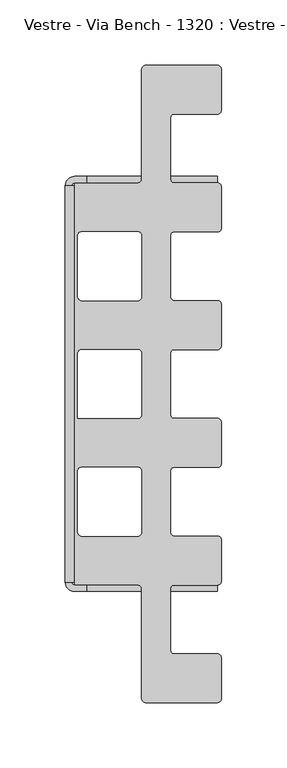
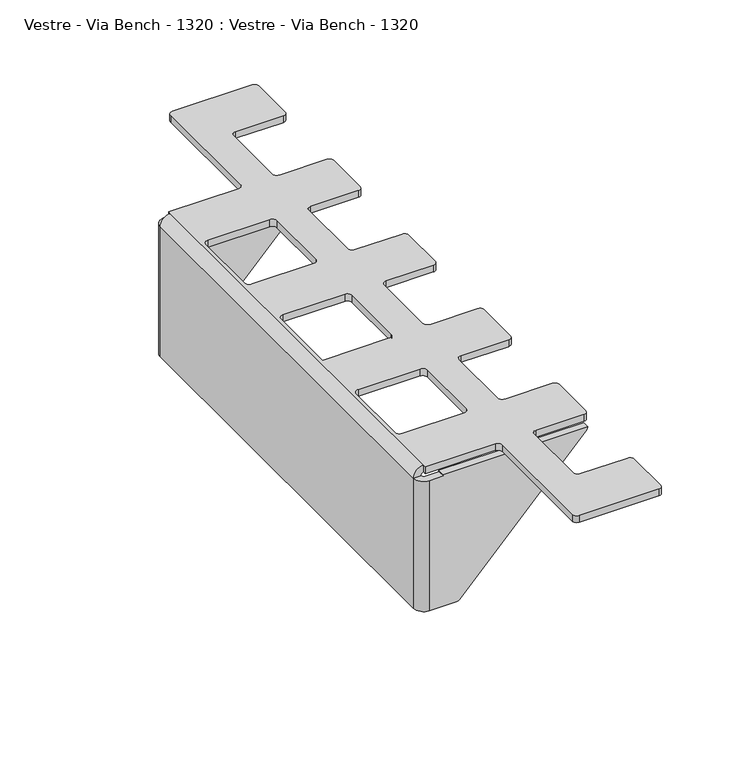
"""IFC4 building model written with IfcOpenShell, lengths in millimetres: furniture geometry, Vestre - Via Bench - 1320 : Vestre - Via Bench - 1320."""

import ifcopenshell
import ifcopenshell.guid

model = None  # the IFC model being written
_history = None  # IfcOwnerHistory: only IFC2X3 demands one
_inside = {}  # id of a spatial element -> (the spatial element, [elements in it])
_under = {}  # id of a project, library or spatial element -> (it, [spatial elements below it])
_declared = {}  # id of a project -> (the project, [libraries it declares])
_typed = {}  # id of a type object -> (the type object, [elements of that type])
_made_of = {}  # id of a material, layer set ... -> (it, [elements and type objects made of it])


def new_model(schema):
    """Start an empty IFC model of exactly this schema.

    Asked for "IFC4X3", IfcOpenShell would pick the latest addendum, in which some entities
    have other attributes; the version numbers below select the first issue.
    IFC2X3 requires an IfcOwnerHistory on every rooted entity: one is made here for all.
    """
    global model, _history
    if schema == "IFC4X3":
        model = ifcopenshell.file(schema_version=(4, 3, 0, 0))
    else:
        model = ifcopenshell.file(schema=schema)
    _inside.clear()
    _under.clear()
    _declared.clear()
    _typed.clear()
    _made_of.clear()
    _history = None
    if model.schema == "IFC2X3":
        org = make("IfcOrganization", Name="unknown")
        user = make(
            "IfcPersonAndOrganization",
            ThePerson=make("IfcPerson", FamilyName="unknown"),
            TheOrganization=org,
        )
        app = make(
            "IfcApplication",
            ApplicationDeveloper=org,
            Version="unknown",
            ApplicationFullName="unknown",
            ApplicationIdentifier="unknown",
        )
        _history = make(
            "IfcOwnerHistory",
            OwningUser=user,
            OwningApplication=app,
            ChangeAction="ADDED",
            CreationDate=0,
        )
    return model


def make(cls, **values):
    """One entity of the class cls with the attributes given. An attribute that is None is left unset."""
    return model.create_entity(
        cls, **{name: value for name, value in values.items() if value is not None}
    )


def rooted(cls, **values):
    """An entity with a GlobalId (a new one), such as an element, a storey or a relation."""
    return make(cls, GlobalId=ifcopenshell.guid.new(), OwnerHistory=_history, **values)


def si_unit(unit_type, name, prefix=None):
    """IfcSIUnit, for example si_unit("LENGTHUNIT", "METRE", prefix="MILLI")."""
    return make("IfcSIUnit", UnitType=unit_type, Prefix=prefix, Name=name)


def assignment(units):
    """IfcUnitAssignment: the units of a project."""
    return None if units is None else make("IfcUnitAssignment", Units=units)


def point(xyz):
    """IfcCartesianPoint."""
    return None if xyz is None else make("IfcCartesianPoint", Coordinates=xyz)


def direction(xyz):
    """IfcDirection."""
    return None if xyz is None else make("IfcDirection", DirectionRatios=xyz)


def frame(location, z_axis=None, x_axis=None):
    """IfcAxis2Placement3D, a coordinate frame: its origin and axes. An axis left out is left unset."""
    return make(
        "IfcAxis2Placement3D",
        Location=point(location),
        Axis=direction(z_axis),
        RefDirection=direction(x_axis),
    )


def origin():
    """The frame at (0, 0, 0) with its axes left unset."""
    return frame((0.0, 0.0, 0.0))


def place(relative_to, where):
    """IfcLocalPlacement: puts the frame where relative to a parent placement (None: the world)."""
    return make(
        "IfcLocalPlacement", PlacementRelTo=relative_to, RelativePlacement=where
    )


def context(
    kind, dimensions, precision=None, world=None, true_north=None, identifier=None
):
    """IfcGeometricRepresentationContext, for example the 3D "Model" context."""
    return make(
        "IfcGeometricRepresentationContext",
        ContextIdentifier=identifier,
        ContextType=kind,
        CoordinateSpaceDimension=dimensions,
        Precision=precision,
        WorldCoordinateSystem=world,
        TrueNorth=true_north,
    )


def project(units=None, contexts=None):
    """IfcProject with its units and contexts."""
    return rooted(
        "IfcProject",
        Name="project",
        RepresentationContexts=contexts,
        UnitsInContext=assignment(units),
    )


def spatial(cls, under=None, at=None, **own):
    """A site, building, storey or space (cls), placed at a placement, below another one or the project."""
    s = rooted(cls, ObjectPlacement=at, **own)
    if under is not None:
        _under.setdefault(under.id(), (under, []))[1].append(s)
    return s


def polyline(points):
    """IfcPolyline through the points."""
    return make("IfcPolyline", Points=[point(p) for p in points])


def circle_curve(where, radius):
    """IfcCircle in the frame where."""
    return make("IfcCircle", Position=where, Radius=radius)


def shape(context_of_items, identifier, shape_type, items):
    """IfcShapeRepresentation: the items that make up one representation, for example the "Body"."""
    return make(
        "IfcShapeRepresentation",
        ContextOfItems=context_of_items,
        RepresentationIdentifier=identifier,
        RepresentationType=shape_type,
        Items=items,
    )


def source(mapping_origin, context_of_items, identifier, shape_type, items):
    """IfcRepresentationMap: a shape defined once, which mapped items show again and again."""
    return make(
        "IfcRepresentationMap",
        MappingOrigin=mapping_origin,
        MappedRepresentation=shape(context_of_items, identifier, shape_type, items),
    )


def transform(
    local_origin,
    x_axis=None,
    y_axis=None,
    z_axis=None,
    scale=None,
    scale2=None,
    scale3=None,
    uniform=True,
):
    """IfcCartesianTransformationOperator3D, or its non-uniform kind. x_axis, y_axis, z_axis: its Axis1, 2, 3."""
    if uniform:
        return make(
            "IfcCartesianTransformationOperator3D",
            Axis1=direction(x_axis),
            Axis2=direction(y_axis),
            LocalOrigin=point(local_origin),
            Scale=scale,
            Axis3=direction(z_axis),
        )
    return make(
        "IfcCartesianTransformationOperator3DnonUniform",
        Axis1=direction(x_axis),
        Axis2=direction(y_axis),
        LocalOrigin=point(local_origin),
        Scale=scale,
        Axis3=direction(z_axis),
        Scale2=scale2,
        Scale3=scale3,
    )


def mapped(mapping_source, mapping_target):
    """IfcMappedItem: shows the shape of a source again, moved by a transform."""
    return make(
        "IfcMappedItem", MappingSource=mapping_source, MappingTarget=mapping_target
    )


def made_of(thing, what):
    """Note that an element or type object is made of a material, layer set ...; save() writes the relation."""
    if what is not None:
        _made_of.setdefault(what.id(), (what, []))[1].append(thing)
    return thing


def element(
    cls,
    number,
    at=None,
    inside=None,
    cuts=None,
    type_object=None,
    material=None,
    context=None,
    identifier="Body",
    shape_type=None,
    held_by="IfcProductDefinitionShape",
    body=None,
    shapes=None,
    **own,
):
    """One element of the class cls, such as IfcWall. Its Tag is "e" and its number.

    at: its placement. inside: the storey or other place that contains it. cuts: it is an
    opening in that element (IfcRelVoidsElement). A single representation is given by context,
    identifier, shape_type and body (its items); several are given by shapes. held_by: the class
    of the entity that holds the representations. save() writes the other relations.
    """
    e = rooted(cls, Tag="e%d" % number, ObjectPlacement=at, **own)
    if body is not None:
        shapes = [shape(context, identifier, shape_type, body)]
    if shapes is not None:
        e.Representation = make(held_by, Representations=shapes)
    if inside is not None:
        _inside.setdefault(inside.id(), (inside, []))[1].append(e)
    if cuts is not None:
        rooted(
            "IfcRelVoidsElement", RelatingBuildingElement=cuts, RelatedOpeningElement=e
        )
    if type_object is not None:
        _typed.setdefault(type_object.id(), (type_object, []))[1].append(e)
    return made_of(e, material)


def aggregate(whole, parts):
    """IfcRelAggregates: a whole, such as a stair, and the parts it consists of."""
    return rooted("IfcRelAggregates", RelatingObject=whole, RelatedObjects=parts)


def save(model, path):
    """Write the relations noted so far, then the file.

    IfcRelAggregates (storeys below a building ...), IfcRelContainedInSpatialStructure (elements
    in a storey), IfcRelDefinesByType, IfcRelAssociatesMaterial and IfcRelDeclares: one each for
    every whole, place, type object, material and project.
    """
    for whole, parts in _under.values():
        aggregate(whole, parts)
    for where, things in _inside.values():
        rooted(
            "IfcRelContainedInSpatialStructure",
            RelatedElements=things,
            RelatingStructure=where,
        )
    for kind, things in _typed.values():
        rooted("IfcRelDefinesByType", RelatedObjects=things, RelatingType=kind)
    for what, things in _made_of.values():
        rooted("IfcRelAssociatesMaterial", RelatedObjects=things, RelatingMaterial=what)
    for by, libraries in _declared.values():
        rooted("IfcRelDeclares", RelatingContext=by, RelatedDefinitions=libraries)
    model.write(path)


def plane_surface(at):
    """IfcPlane: the flat surface through the origin of the frame at, square to its z axis."""
    return make("IfcPlane", Position=at)


def cylinder_surface(at, radius):
    """IfcCylindricalSurface: all points at the distance radius from the z axis of the frame at."""
    return make("IfcCylindricalSurface", Position=at, Radius=radius)


def revolved_surface(curve, axis_point, axis_direction):
    """IfcSurfaceOfRevolution: the curve turned about the line through axis_point along axis_direction."""
    return make(
        "IfcSurfaceOfRevolution",
        SweptCurve=make("IfcArbitraryOpenProfileDef", ProfileType="CURVE", Curve=curve),
        AxisPosition=make("IfcAxis1Placement", Location=point(axis_point), Axis=direction(axis_direction)),
    )


def advanced_brep(points, edges, surfaces, faces):
    """IfcAdvancedBrep: a solid bounded by faces that lie on surfaces and meet in shared edges.

    An edge is (start, end): straight between two places in points (the first is 0);
    or (start, end, curve); or (start, end, curve, False) where it runs against its curve.
    A face is (place in surfaces, loops), or (place, loops, False) where it looks against
    its surface's normal. A loop lists edges by number (the first is 1), with a minus sign
    where the edge is run from its end to its start. The first loop is the outer one.
    """
    corners = [point(p) for p in points]
    vertices = [make("IfcVertexPoint", VertexGeometry=c) for c in corners]
    made = []
    for start, end, *more in edges:
        made.append(
            make(
                "IfcEdgeCurve",
                EdgeStart=vertices[start],
                EdgeEnd=vertices[end],
                EdgeGeometry=more[0] if more else make("IfcPolyline", Points=[corners[start], corners[end]]),
                SameSense=more[1] if len(more) > 1 else True,
            )
        )
    hull = []
    for where, loops, *sense in faces:
        bounds = []
        for j, loop in enumerate(loops):
            ring = [make("IfcOrientedEdge", EdgeElement=made[abs(k) - 1], Orientation=k > 0) for k in loop]
            bounds.append(
                make(
                    "IfcFaceOuterBound" if j == 0 else "IfcFaceBound",
                    Bound=make("IfcEdgeLoop", EdgeList=ring),
                    Orientation=True,
                )
            )
        hull.append(make("IfcAdvancedFace", Bounds=bounds, FaceSurface=surfaces[where], SameSense=sense[0] if sense else True))
    return make("IfcAdvancedBrep", Outer=make("IfcClosedShell", CfsFaces=hull))


def vestre_via_bench_1320_vestre_via_bench_1320_0bd6c000(model_context):
    return source(origin(), model_context, "Body", "AdvancedBrep", [
        advanced_brep(
        [(-885.5, -29.3, 378.0003634), (-888.5, -26.3, 378.0003634), (-921.5, -26.3, 378.0003634), (-924.5, -23.3, 378.0003634), (-924.5, 23.3, 378.0003634), (-921.5, 26.3, 378.0003634), (-888.5, 26.3, 378.0003634), (-885.5, 29.3, 378.0003634), (-885.5, 60.7, 378.0003634), (-888.5, 63.7, 378.0003634), (-921.5, 63.7, 378.0003634), (-924.5, 66.7, 378.0003634), (-924.5, 113.3, 378.0003634), (-921.5, 116.3, 378.0003634), (-888.5, 116.3, 378.0003634), (-885.5, 119.3, 378.0003634), (-885.5, 150.7, 378.0003634), (-888.5, 153.7, 378.0003634), (-921.5, 153.7, 378.0003634), (-924.5, 156.7, 378.0003634), (-924.5, 203.3, 378.0003634), (-921.5, 206.3, 378.0003634), (-888.5, 206.3, 378.0003634), (-885.5, 209.3, 378.0003634), (-885.5, 240.5, 378.0003634), (-888.5, 243.5, 378.0003634), (-943.5, 243.5, 378.0003634), (-946.5, 240.5, 378.0003634), (-946.5, 156.6, 378.0003634), (-949.5, 153.6, 378.0003634), (-998.0, 153.6, 378.0003634), (-998.0, 151.6, 378.0003634), (-998.0, -151.6, 378.0003634), (-998.0, -153.6, 378.0003634), (-949.5, -153.6, 378.0003634), (-946.5, -156.6, 378.0003634), (-946.5, -240.5, 378.0003634), (-943.5, -243.5, 378.0003634), (-888.5, -243.5, 378.0003634), (-885.5, -240.5, 378.0003634), (-885.5, -209.3, 378.0003634), (-888.5, -206.3, 378.0003634), (-921.5, -206.3, 378.0003634), (-924.5, -203.3, 378.0003634), (-924.5, -156.7, 378.0003634), (-921.5, -153.7, 378.0003634), (-888.5, -153.7, 378.0003634), (-885.5, -150.7, 378.0003634), (-885.5, -119.3, 378.0003634), (-888.5, -116.3, 378.0003634), (-921.5, -116.3, 378.0003634), (-924.5, -113.3, 378.0003634), (-924.5, -66.7, 378.0003634), (-921.5, -63.7, 378.0003634), (-888.5, -63.7, 378.0003634), (-885.5, -60.7, 378.0003634), (-949.5, -63.7, 378.0003634), (-946.5, -66.7, 378.0003634), (-946.5, -113.3, 378.0003634), (-949.5, -116.3, 378.0003634), (-992.5, -116.3, 378.0003634), (-995.5, -113.3, 378.0003634), (-995.5, -66.7, 378.0003634), (-992.5, -63.7, 378.0003634), (-949.5, 26.3, 378.0003634), (-946.5, 23.3, 378.0003634), (-946.5, -23.3, 378.0003634), (-949.5, -26.3, 378.0003634), (-995.5, -26.3, 378.0003634), (-995.5, 23.3, 378.0003634), (-992.5, 26.3, 378.0003634), (-949.5, 116.3, 378.0003634), (-946.5, 113.3, 378.0003634), (-946.5, 66.7, 378.0003634), (-949.5, 63.7, 378.0003634), (-992.5, 63.7, 378.0003634), (-995.5, 66.7, 378.0003634), (-995.5, 113.3, 378.0003634), (-992.5, 116.3, 378.0003634), (-885.5, -29.3, 373.0003634), (-885.5, -60.7, 373.0003634), (-888.5, -63.7, 373.0003634), (-921.5, -63.7, 373.0003634), (-924.5, -66.7, 373.0003634), (-924.5, -113.3, 373.0003634), (-921.5, -116.3, 373.0003634), (-888.5, -116.3, 373.0003634), (-885.5, -119.3, 373.0003634), (-885.5, -150.7, 373.0003634), (-888.5, -153.7, 373.0003634), (-921.5, -153.7, 373.0003634), (-924.5, -156.7, 373.0003634), (-924.5, -203.3, 373.0003634), (-921.5, -206.3, 373.0003634), (-888.5, -206.3, 373.0003634), (-885.5, -209.3, 373.0003634), (-885.5, -240.5, 373.0003634), (-888.5, -243.5, 373.0003634), (-943.5, -243.5, 373.0003634), (-946.5, -240.5, 373.0003634), (-946.5, -156.6, 373.0003634), (-949.5, -153.6, 373.0003634), (-998.0, -153.6, 373.0003634), (-998.0, -151.6, 373.0003634), (-998.0, 151.6, 373.0003634), (-998.0, 153.6, 373.0003634), (-949.5, 153.6, 373.0003634), (-946.5, 156.6, 373.0003634), (-946.5, 240.5, 373.0003634), (-943.5, 243.5, 373.0003634), (-888.5, 243.5, 373.0003634), (-885.5, 240.5, 373.0003634), (-885.5, 209.3, 373.0003634), (-888.5, 206.3, 373.0003634), (-921.5, 206.3, 373.0003634), (-924.5, 203.3, 373.0003634), (-924.5, 156.7, 373.0003634), (-921.5, 153.7, 373.0003634), (-888.5, 153.7, 373.0003634), (-885.5, 150.7, 373.0003634), (-885.5, 119.3, 373.0003634), (-888.5, 116.3, 373.0003634), (-921.5, 116.3, 373.0003634), (-924.5, 113.3, 373.0003634), (-924.5, 66.7, 373.0003634), (-921.5, 63.7, 373.0003634), (-888.5, 63.7, 373.0003634), (-885.5, 60.7, 373.0003634), (-885.5, 29.3, 373.0003634), (-888.5, 26.3, 373.0003634), (-921.5, 26.3, 373.0003634), (-924.5, 23.3, 373.0003634), (-924.5, -23.3, 373.0003634), (-921.5, -26.3, 373.0003634), (-888.5, -26.3, 373.0003634), (-949.5, -63.7, 373.0003634), (-992.5, -63.7, 373.0003634), (-995.5, -66.7, 373.0003634), (-995.5, -113.3, 373.0003634), (-992.5, -116.3, 373.0003634), (-949.5, -116.3, 373.0003634), (-946.5, -113.3, 373.0003634), (-946.5, -66.7, 373.0003634), (-949.5, 26.3, 373.0003634), (-992.5, 26.3, 373.0003634), (-995.5, 23.3, 373.0003634), (-995.5, -26.3, 373.0003634), (-949.5, -26.3, 373.0003634), (-946.5, -23.3, 373.0003634), (-946.5, 23.3, 373.0003634), (-949.5, 116.3, 373.0003634), (-992.5, 116.3, 373.0003634), (-995.5, 113.3, 373.0003634), (-995.5, 66.7, 373.0003634), (-992.5, 63.7, 373.0003634), (-949.5, 63.7, 373.0003634), (-946.5, 66.7, 373.0003634), (-946.5, 113.3, 373.0003634), (-1005.0, -151.6, 371.0003634), (-1000.0, -151.6, 371.0003634), (-1000.0, 151.6, 371.0003634), (-1005.0, 151.6, 371.0003634), (-1005.0, 151.6, 275.8503634), (-1005.0, -151.6, 275.8503634), (-998.0, 158.6, 275.8503634), (-979.2967433, 158.6, 275.8503634), (-979.2967433, 153.6, 275.8503634), (-998.0, 153.6, 275.8503634), (-1000.0, 151.6, 275.8503634), (-1000.0, -151.6, 275.8503634), (-998.0, -153.6, 275.8503634), (-979.2967433, -153.6, 275.8503634), (-979.2967433, -158.6, 275.8503634), (-998.0, -158.6, 275.8503634), (-988.5, -153.6, 371.0003634), (-998.0, -153.6, 371.0003634), (-998.0, -158.6, 371.0003634), (-988.5, -158.6, 371.0003634), (-988.5, -153.6, 372.0003634), (-888.5, -153.6, 372.0003634), (-889.3083814, -153.6, 370.1409501), (-977.1115366, -153.6, 276.7949141), (-977.1115366, -158.6, 276.7949141), (-889.3083814, -158.6, 370.1409501), (-888.5, -158.6, 372.0003634), (-988.5, -158.6, 372.0003634), (-988.5, 158.6, 371.0003634), (-998.0, 158.6, 371.0003634), (-998.0, 153.6, 371.0003634), (-988.5, 153.6, 371.0003634), (-977.1115366, 153.6, 276.7949141), (-889.3083814, 153.6, 370.1409501), (-888.5, 153.6, 372.0003634), (-988.5, 153.6, 372.0003634), (-988.5, 158.6, 372.0003634), (-888.5, 158.6, 372.0003634), (-889.3083814, 158.6, 370.1409501), (-977.1115366, 158.6, 276.7949141)],
        [
            (0, 1, circle_curve(frame((-888.5, -29.3, 378.0003634), z_axis=(0.0, 0.0, 1.0), x_axis=(0.0, 1.0, 0.0)), 3.0)),
            (1, 2),
            (2, 3, circle_curve(frame((-921.5, -23.3, 378.0003634), z_axis=(0.0, 0.0, -1.0), x_axis=(0.0, -1.0, 0.0)), 3.0)),
            (3, 4),
            (4, 5, circle_curve(frame((-921.5, 23.3, 378.0003634), z_axis=(0.0, 0.0, -1.0), x_axis=(-1.0, 0.0, 0.0)), 3.0)),
            (5, 6),
            (6, 7, circle_curve(frame((-888.5, 29.3, 378.0003634), z_axis=(0.0, 0.0, 1.0), x_axis=(1.0, 0.0, 0.0)), 3.0)),
            (7, 8),
            (8, 9, circle_curve(frame((-888.5, 60.7, 378.0003634), z_axis=(0.0, 0.0, 1.0), x_axis=(0.0, 1.0, 0.0)), 3.0)),
            (9, 10),
            (10, 11, circle_curve(frame((-921.5, 66.7, 378.0003634), z_axis=(0.0, 0.0, -1.0), x_axis=(0.0, -1.0, 0.0)), 3.0)),
            (11, 12),
            (12, 13, circle_curve(frame((-921.5, 113.3, 378.0003634), z_axis=(0.0, 0.0, -1.0), x_axis=(-1.0, 0.0, 0.0)), 3.0)),
            (13, 14),
            (14, 15, circle_curve(frame((-888.5, 119.3, 378.0003634), z_axis=(0.0, 0.0, 1.0), x_axis=(1.0, 0.0, 0.0)), 3.0)),
            (15, 16),
            (16, 17, circle_curve(frame((-888.5, 150.7, 378.0003634), z_axis=(0.0, 0.0, 1.0), x_axis=(0.0, 1.0, 0.0)), 3.0)),
            (17, 18),
            (18, 19, circle_curve(frame((-921.5, 156.7, 378.0003634), z_axis=(0.0, 0.0, -1.0), x_axis=(0.0, -1.0, 0.0)), 3.0)),
            (19, 20),
            (20, 21, circle_curve(frame((-921.5, 203.3, 378.0003634), z_axis=(0.0, 0.0, -1.0), x_axis=(-1.0, 0.0, 0.0)), 3.0)),
            (21, 22),
            (22, 23, circle_curve(frame((-888.5, 209.3, 378.0003634), z_axis=(0.0, 0.0, 1.0), x_axis=(1.0, 0.0, 0.0)), 3.0)),
            (23, 24),
            (24, 25, circle_curve(frame((-888.5, 240.5, 378.0003634), z_axis=(0.0, 0.0, 1.0), x_axis=(0.0, 1.0, 0.0)), 3.0)),
            (25, 26),
            (26, 27, circle_curve(frame((-943.5, 240.5, 378.0003634), z_axis=(0.0, 0.0, 1.0), x_axis=(0.0, 1.0, 0.0)), 3.0)),
            (27, 28),
            (28, 29, circle_curve(frame((-949.5, 156.6, 378.0003634), z_axis=(0.0, 0.0, -1.0), x_axis=(1.0, 0.0, 0.0)), 3.0)),
            (29, 30),
            (30, 31),
            (31, 32),
            (32, 33),
            (33, 34),
            (34, 35, circle_curve(frame((-949.5, -156.6, 378.0003634), z_axis=(0.0, 0.0, -1.0), x_axis=(0.0, 1.0, 0.0)), 3.0)),
            (35, 36),
            (36, 37, circle_curve(frame((-943.5, -240.5, 378.0003634), z_axis=(0.0, 0.0, 1.0), x_axis=(0.0, -1.0, 0.0)), 3.0)),
            (37, 38),
            (38, 39, circle_curve(frame((-888.5, -240.5, 378.0003634), z_axis=(0.0, 0.0, 1.0), x_axis=(1.0, 0.0, 0.0)), 3.0)),
            (39, 40),
            (40, 41, circle_curve(frame((-888.5, -209.3, 378.0003634), z_axis=(0.0, 0.0, 1.0), x_axis=(0.0, 1.0, 0.0)), 3.0)),
            (41, 42),
            (42, 43, circle_curve(frame((-921.5, -203.3, 378.0003634), z_axis=(0.0, 0.0, -1.0), x_axis=(0.0, -1.0, 0.0)), 3.0)),
            (43, 44),
            (44, 45, circle_curve(frame((-921.5, -156.7, 378.0003634), z_axis=(0.0, 0.0, -1.0), x_axis=(-1.0, 0.0, 0.0)), 3.0)),
            (45, 46),
            (46, 47, circle_curve(frame((-888.5, -150.7, 378.0003634), z_axis=(0.0, 0.0, 1.0), x_axis=(1.0, 0.0, 0.0)), 3.0)),
            (47, 48),
            (48, 49, circle_curve(frame((-888.5, -119.3, 378.0003634), z_axis=(0.0, 0.0, 1.0), x_axis=(0.0, 1.0, 0.0)), 3.0)),
            (49, 50),
            (50, 51, circle_curve(frame((-921.5, -113.3, 378.0003634), z_axis=(0.0, 0.0, -1.0), x_axis=(0.0, -1.0, 0.0)), 3.0)),
            (51, 52),
            (52, 53, circle_curve(frame((-921.5, -66.7, 378.0003634), z_axis=(0.0, 0.0, -1.0), x_axis=(-1.0, 0.0, 0.0)), 3.0)),
            (53, 54),
            (54, 55, circle_curve(frame((-888.5, -60.7, 378.0003634), z_axis=(0.0, 0.0, 1.0), x_axis=(1.0, 0.0, 0.0)), 3.0)),
            (55, 0),
            (56, 57, circle_curve(frame((-949.5, -66.7, 378.0003634), z_axis=(0.0, 0.0, -1.0), x_axis=(0.0, 1.0, 0.0)), 3.0)),
            (57, 58),
            (58, 59, circle_curve(frame((-949.5, -113.3, 378.0003634), z_axis=(0.0, 0.0, -1.0), x_axis=(1.0, 0.0, 0.0)), 3.0)),
            (59, 60),
            (60, 61, circle_curve(frame((-992.5, -113.3, 378.0003634), z_axis=(0.0, 0.0, -1.0), x_axis=(0.0, -1.0, 0.0)), 3.0)),
            (61, 62),
            (62, 63, circle_curve(frame((-992.5, -66.7, 378.0003634), z_axis=(0.0, 0.0, -1.0), x_axis=(-1.0, 0.0, 0.0)), 3.0)),
            (63, 56),
            (64, 65, circle_curve(frame((-949.5, 23.3, 378.0003634), z_axis=(0.0, 0.0, -1.0), x_axis=(0.0, 1.0, 0.0)), 3.0)),
            (65, 66),
            (66, 67, circle_curve(frame((-949.5, -23.3, 378.0003634), z_axis=(0.0, 0.0, -1.0), x_axis=(1.0, 0.0, 0.0)), 3.0)),
            (67, 68),
            (68, 69),
            (69, 70, circle_curve(frame((-992.5, 23.3, 378.0003634), z_axis=(0.0, 0.0, -1.0), x_axis=(-1.0, 0.0, 0.0)), 3.0)),
            (70, 64),
            (71, 72, circle_curve(frame((-949.5, 113.3, 378.0003634), z_axis=(0.0, 0.0, -1.0), x_axis=(0.0, 1.0, 0.0)), 3.0)),
            (72, 73),
            (73, 74, circle_curve(frame((-949.5, 66.7, 378.0003634), z_axis=(0.0, 0.0, -1.0), x_axis=(1.0, 0.0, 0.0)), 3.0)),
            (74, 75),
            (75, 76, circle_curve(frame((-992.5, 66.7, 378.0003634), z_axis=(0.0, 0.0, -1.0), x_axis=(0.0, -1.0, 0.0)), 3.0)),
            (76, 77),
            (77, 78, circle_curve(frame((-992.5, 113.3, 378.0003634), z_axis=(0.0, 0.0, -1.0), x_axis=(-1.0, 0.0, 0.0)), 3.0)),
            (78, 71),
            (79, 80),
            (80, 81, circle_curve(frame((-888.5, -60.7, 373.0003634), z_axis=(0.0, 0.0, -1.0), x_axis=(1.0, 0.0, 0.0)), 3.0)),
            (81, 82),
            (82, 83, circle_curve(frame((-921.5, -66.7, 373.0003634), z_axis=(0.0, 0.0, 1.0), x_axis=(-1.0, 0.0, 0.0)), 3.0)),
            (83, 84),
            (84, 85, circle_curve(frame((-921.5, -113.3, 373.0003634), z_axis=(0.0, 0.0, 1.0), x_axis=(0.0, -1.0, 0.0)), 3.0)),
            (85, 86),
            (86, 87, circle_curve(frame((-888.5, -119.3, 373.0003634), z_axis=(0.0, 0.0, -1.0), x_axis=(0.0, 1.0, 0.0)), 3.0)),
            (87, 88),
            (88, 89, circle_curve(frame((-888.5, -150.7, 373.0003634), z_axis=(0.0, 0.0, -1.0), x_axis=(1.0, 0.0, 0.0)), 3.0)),
            (89, 90),
            (90, 91, circle_curve(frame((-921.5, -156.7, 373.0003634), z_axis=(0.0, 0.0, 1.0), x_axis=(-1.0, 0.0, 0.0)), 3.0)),
            (91, 92),
            (92, 93, circle_curve(frame((-921.5, -203.3, 373.0003634), z_axis=(0.0, 0.0, 1.0), x_axis=(0.0, -1.0, 0.0)), 3.0)),
            (93, 94),
            (94, 95, circle_curve(frame((-888.5, -209.3, 373.0003634), z_axis=(0.0, 0.0, -1.0), x_axis=(0.0, 1.0, 0.0)), 3.0)),
            (95, 96),
            (96, 97, circle_curve(frame((-888.5, -240.5, 373.0003634), z_axis=(0.0, 0.0, -1.0), x_axis=(1.0, 0.0, 0.0)), 3.0)),
            (97, 98),
            (98, 99, circle_curve(frame((-943.5, -240.5, 373.0003634), z_axis=(0.0, 0.0, -1.0), x_axis=(0.0, -1.0, 0.0)), 3.0)),
            (99, 100),
            (100, 101, circle_curve(frame((-949.5, -156.6, 373.0003634), z_axis=(0.0, 0.0, 1.0), x_axis=(0.0, 1.0, 0.0)), 3.0)),
            (101, 102),
            (102, 103),
            (103, 104),
            (104, 105),
            (105, 106),
            (106, 107, circle_curve(frame((-949.5, 156.6, 373.0003634), z_axis=(0.0, 0.0, 1.0), x_axis=(1.0, 0.0, 0.0)), 3.0)),
            (107, 108),
            (108, 109, circle_curve(frame((-943.5, 240.5, 373.0003634), z_axis=(0.0, 0.0, -1.0), x_axis=(0.0, 1.0, 0.0)), 3.0)),
            (109, 110),
            (110, 111, circle_curve(frame((-888.5, 240.5, 373.0003634), z_axis=(0.0, 0.0, -1.0), x_axis=(0.0, 1.0, 0.0)), 3.0)),
            (111, 112),
            (112, 113, circle_curve(frame((-888.5, 209.3, 373.0003634), z_axis=(0.0, 0.0, -1.0), x_axis=(1.0, 0.0, 0.0)), 3.0)),
            (113, 114),
            (114, 115, circle_curve(frame((-921.5, 203.3, 373.0003634), z_axis=(0.0, 0.0, 1.0), x_axis=(-1.0, 0.0, 0.0)), 3.0)),
            (115, 116),
            (116, 117, circle_curve(frame((-921.5, 156.7, 373.0003634), z_axis=(0.0, 0.0, 1.0), x_axis=(0.0, -1.0, 0.0)), 3.0)),
            (117, 118),
            (118, 119, circle_curve(frame((-888.5, 150.7, 373.0003634), z_axis=(0.0, 0.0, -1.0), x_axis=(0.0, 1.0, 0.0)), 3.0)),
            (119, 120),
            (120, 121, circle_curve(frame((-888.5, 119.3, 373.0003634), z_axis=(0.0, 0.0, -1.0), x_axis=(1.0, 0.0, 0.0)), 3.0)),
            (121, 122),
            (122, 123, circle_curve(frame((-921.5, 113.3, 373.0003634), z_axis=(0.0, 0.0, 1.0), x_axis=(-1.0, 0.0, 0.0)), 3.0)),
            (123, 124),
            (124, 125, circle_curve(frame((-921.5, 66.7, 373.0003634), z_axis=(0.0, 0.0, 1.0), x_axis=(0.0, -1.0, 0.0)), 3.0)),
            (125, 126),
            (126, 127, circle_curve(frame((-888.5, 60.7, 373.0003634), z_axis=(0.0, 0.0, -1.0), x_axis=(0.0, 1.0, 0.0)), 3.0)),
            (127, 128),
            (128, 129, circle_curve(frame((-888.5, 29.3, 373.0003634), z_axis=(0.0, 0.0, -1.0), x_axis=(1.0, 0.0, 0.0)), 3.0)),
            (129, 130),
            (130, 131, circle_curve(frame((-921.5, 23.3, 373.0003634), z_axis=(0.0, 0.0, 1.0), x_axis=(-1.0, 0.0, 0.0)), 3.0)),
            (131, 132),
            (132, 133, circle_curve(frame((-921.5, -23.3, 373.0003634), z_axis=(0.0, 0.0, 1.0), x_axis=(0.0, -1.0, 0.0)), 3.0)),
            (133, 134),
            (134, 79, circle_curve(frame((-888.5, -29.3, 373.0003634), z_axis=(0.0, 0.0, -1.0), x_axis=(0.0, 1.0, 0.0)), 3.0)),
            (135, 136),
            (136, 137, circle_curve(frame((-992.5, -66.7, 373.0003634), z_axis=(0.0, 0.0, 1.0), x_axis=(-1.0, 0.0, 0.0)), 3.0)),
            (137, 138),
            (138, 139, circle_curve(frame((-992.5, -113.3, 373.0003634), z_axis=(0.0, 0.0, 1.0), x_axis=(0.0, -1.0, 0.0)), 3.0)),
            (139, 140),
            (140, 141, circle_curve(frame((-949.5, -113.3, 373.0003634), z_axis=(0.0, 0.0, 1.0), x_axis=(1.0, 0.0, 0.0)), 3.0)),
            (141, 142),
            (142, 135, circle_curve(frame((-949.5, -66.7, 373.0003634), z_axis=(0.0, 0.0, 1.0), x_axis=(0.0, 1.0, 0.0)), 3.0)),
            (143, 144),
            (144, 145, circle_curve(frame((-992.5, 23.3, 373.0003634), z_axis=(0.0, 0.0, 1.0), x_axis=(-1.0, 0.0, 0.0)), 3.0)),
            (145, 146),
            (146, 147),
            (147, 148, circle_curve(frame((-949.5, -23.3, 373.0003634), z_axis=(0.0, 0.0, 1.0), x_axis=(1.0, 0.0, 0.0)), 3.0)),
            (148, 149),
            (149, 143, circle_curve(frame((-949.5, 23.3, 373.0003634), z_axis=(0.0, 0.0, 1.0), x_axis=(0.0, 1.0, 0.0)), 3.0)),
            (150, 151),
            (151, 152, circle_curve(frame((-992.5, 113.3, 373.0003634), z_axis=(0.0, 0.0, 1.0), x_axis=(-1.0, 0.0, 0.0)), 3.0)),
            (152, 153),
            (153, 154, circle_curve(frame((-992.5, 66.7, 373.0003634), z_axis=(0.0, 0.0, 1.0), x_axis=(0.0, -1.0, 0.0)), 3.0)),
            (154, 155),
            (155, 156, circle_curve(frame((-949.5, 66.7, 373.0003634), z_axis=(0.0, 0.0, 1.0), x_axis=(1.0, 0.0, 0.0)), 3.0)),
            (156, 157),
            (157, 150, circle_curve(frame((-949.5, 113.3, 373.0003634), z_axis=(0.0, 0.0, 1.0), x_axis=(0.0, 1.0, 0.0)), 3.0)),
            (0, 79),
            (134, 1),
            (133, 2),
            (132, 3),
            (131, 4),
            (130, 5),
            (129, 6),
            (128, 7),
            (127, 8),
            (126, 9),
            (125, 10),
            (124, 11),
            (123, 12),
            (122, 13),
            (121, 14),
            (120, 15),
            (119, 16),
            (118, 17),
            (117, 18),
            (116, 19),
            (115, 20),
            (114, 21),
            (113, 22),
            (112, 23),
            (111, 24),
            (110, 25),
            (109, 26),
            (108, 27),
            (107, 28),
            (106, 29),
            (105, 30),
            (104, 31),
            (32, 103),
            (102, 33),
            (101, 34),
            (100, 35),
            (99, 36),
            (98, 37),
            (97, 38),
            (96, 39),
            (95, 40),
            (94, 41),
            (93, 42),
            (92, 43),
            (91, 44),
            (90, 45),
            (89, 46),
            (88, 47),
            (87, 48),
            (86, 49),
            (85, 50),
            (84, 51),
            (83, 52),
            (82, 53),
            (81, 54),
            (80, 55),
            (56, 135),
            (142, 57),
            (141, 58),
            (140, 59),
            (139, 60),
            (138, 61),
            (137, 62),
            (136, 63),
            (64, 143),
            (149, 65),
            (148, 66),
            (147, 67),
            (146, 68),
            (145, 69),
            (144, 70),
            (71, 150),
            (157, 72),
            (156, 73),
            (155, 74),
            (154, 75),
            (153, 76),
            (152, 77),
            (151, 78),
            (32, 158, circle_curve(frame((-998.0, -151.6, 371.0003634), z_axis=(0.0, -1.0, 0.0), x_axis=(1.0, 0.0, 0.0)), 7.0)),
            (158, 159),
            (159, 103, circle_curve(frame((-998.0, -151.6, 371.0003634), z_axis=(0.0, 1.0, 0.0), x_axis=(1.0, 0.0, 0.0)), 2.0)),
            (104, 160, circle_curve(frame((-998.0, 151.6, 371.0003634), z_axis=(0.0, -1.0, 0.0), x_axis=(1.0, 0.0, 0.0)), 2.0)),
            (160, 161),
            (161, 31, circle_curve(frame((-998.0, 151.6, 371.0003634), z_axis=(0.0, 1.0, 0.0), x_axis=(1.0, 0.0, 0.0)), 7.0)),
            (161, 158),
            (159, 160),
            (161, 162),
            (162, 163),
            (163, 158),
            (162, 164, circle_curve(frame((-998.0, 151.6, 275.8503634), z_axis=(0.0, 0.0, -1.0), x_axis=(1.0, 0.0, 0.0)), 7.0)),
            (164, 165),
            (165, 166),
            (166, 167),
            (167, 168, circle_curve(frame((-998.0, 151.6, 275.8503634), z_axis=(0.0, 0.0, 1.0), x_axis=(1.0, 0.0, 0.0)), 2.0)),
            (168, 169),
            (169, 170, circle_curve(frame((-998.0, -151.6, 275.8503634), z_axis=(0.0, 0.0, 1.0), x_axis=(1.0, 0.0, 0.0)), 2.0)),
            (170, 171),
            (171, 172),
            (172, 173),
            (173, 163, circle_curve(frame((-998.0, -151.6, 275.8503634), z_axis=(0.0, 0.0, -1.0), x_axis=(1.0, 0.0, 0.0)), 7.0)),
            (159, 169),
            (168, 160),
            (174, 175),
            (175, 159, circle_curve(frame((-998.0, -151.6, 371.0003634), z_axis=(0.0, 0.0, -1.0), x_axis=(1.0, 0.0, 0.0)), 2.0)),
            (158, 176, circle_curve(frame((-998.0, -151.6, 371.0003634), z_axis=(0.0, 0.0, 1.0), x_axis=(1.0, 0.0, 0.0)), 7.0)),
            (176, 177),
            (177, 174),
            (174, 178),
            (178, 179),
            (179, 180, circle_curve(frame((-891.4935881, -153.6, 372.1963993), z_axis=(0.0, 1.0, 0.0), x_axis=(0.9978627112267325, 0.0, -0.06534531003243231)), 3.0)),
            (180, 181),
            (181, 171, circle_curve(frame((-979.2967433, -153.6, 278.8503634), z_axis=(0.0, 1.0, 0.0), x_axis=(0.0, 0.0, -1.0)), 3.0)),
            (170, 175),
            (173, 176),
            (172, 182, circle_curve(frame((-979.2967433, -158.6, 278.8503634), z_axis=(0.0, -1.0, 0.0), x_axis=(0.0, 0.0, -1.0)), 3.0)),
            (182, 183),
            (183, 184, circle_curve(frame((-891.4935881, -158.6, 372.1963993), z_axis=(0.0, -1.0, 0.0), x_axis=(0.9978627112267325, 0.0, -0.06534531003243231)), 3.0)),
            (184, 185),
            (185, 177),
            (186, 187),
            (187, 161, circle_curve(frame((-998.0, 151.6, 371.0003634), z_axis=(0.0, 0.0, 1.0), x_axis=(1.0, 0.0, 0.0)), 7.0)),
            (160, 188, circle_curve(frame((-998.0, 151.6, 371.0003634), z_axis=(0.0, 0.0, -1.0), x_axis=(1.0, 0.0, 0.0)), 2.0)),
            (188, 189),
            (189, 186),
            (188, 167),
            (166, 190, circle_curve(frame((-979.2967433, 153.6, 278.8503634), z_axis=(0.0, -1.0, 0.0), x_axis=(0.0, 0.0, -1.0)), 3.0)),
            (190, 191),
            (191, 192, circle_curve(frame((-891.4935881, 153.6, 372.1963993), z_axis=(0.0, -1.0, 0.0), x_axis=(0.9978627112267325, 0.0, -0.06534531003243231)), 3.0)),
            (192, 193),
            (193, 189),
            (187, 164),
            (186, 194),
            (194, 195),
            (195, 196, circle_curve(frame((-891.4935881, 158.6, 372.1963993), z_axis=(0.0, 1.0, 0.0), x_axis=(0.9978627112267325, 0.0, -0.06534531003243231)), 3.0)),
            (196, 197),
            (197, 165, circle_curve(frame((-979.2967433, 158.6, 278.8503634), z_axis=(0.0, 1.0, 0.0), x_axis=(0.0, 0.0, -1.0)), 3.0)),
            (183, 180),
            (179, 184),
            (178, 185),
            (181, 182),
            (195, 192),
            (191, 196),
            (194, 193),
            (197, 190),
        ],
        [
            plane_surface(frame((-888.5, -26.3, 378.0003634), z_axis=(0.0, 0.0, 1.0), x_axis=(-1.0, 0.0, 0.0))),
            plane_surface(frame((-888.5, -26.3, 373.0003634), z_axis=(0.0, 0.0, -1.0), x_axis=(1.0, 0.0, 0.0))),
            cylinder_surface(frame((-888.5, -29.3, 373.0003634), z_axis=(0.0, 0.0, 1.0), x_axis=(0.0, 1.0, 0.0)), 3.0),
            plane_surface(frame((-888.5, -26.3, 378.0003634), z_axis=(0.0, 1.0, 0.0), x_axis=(0.0, 0.0, -1.0))),
            revolved_surface(polyline([(-921.5, -26.3, 373.0003634), (-921.5, -26.3, 378.0003634)]), (-921.5, -23.3, 373.0003634), (0.0, 0.0, -1.0)),
            plane_surface(frame((-924.5, -23.3, 378.0003634), z_axis=(1.0, 0.0, 0.0), x_axis=(0.0, 0.0, -1.0))),
            revolved_surface(polyline([(-924.5, 23.3, 373.0003634), (-924.5, 23.3, 378.0003634)]), (-921.5, 23.3, 373.0003634), (0.0, 0.0, -1.0)),
            plane_surface(frame((-921.5, 26.3, 378.0003634), z_axis=(0.0, -1.0, 0.0), x_axis=(0.0, 0.0, -1.0))),
            cylinder_surface(frame((-888.5, 29.3, 373.0003634), z_axis=(0.0, 0.0, 1.0), x_axis=(1.0, 0.0, 0.0)), 3.0),
            plane_surface(frame((-885.5, 29.3, 378.0003634), z_axis=(1.0, 0.0, 0.0), x_axis=(0.0, 0.0, -1.0))),
            cylinder_surface(frame((-888.5, 60.7, 373.0003634), z_axis=(0.0, 0.0, 1.0), x_axis=(0.0, 1.0, 0.0)), 3.0),
            plane_surface(frame((-888.5, 63.7, 378.0003634), z_axis=(0.0, 1.0, 0.0), x_axis=(0.0, 0.0, -1.0))),
            revolved_surface(polyline([(-921.5, 63.7, 373.0003634), (-921.5, 63.7, 378.0003634)]), (-921.5, 66.7, 373.0003634), (0.0, 0.0, -1.0)),
            plane_surface(frame((-924.5, 66.7, 378.0003634), z_axis=(1.0, 0.0, 0.0), x_axis=(0.0, 0.0, -1.0))),
            revolved_surface(polyline([(-924.5, 113.3, 373.0003634), (-924.5, 113.3, 378.0003634)]), (-921.5, 113.3, 373.0003634), (0.0, 0.0, -1.0)),
            plane_surface(frame((-921.5, 116.3, 378.0003634), z_axis=(0.0, -1.0, 0.0), x_axis=(0.0, 0.0, -1.0))),
            cylinder_surface(frame((-888.5, 119.3, 373.0003634), z_axis=(0.0, 0.0, 1.0), x_axis=(1.0, 0.0, 0.0)), 3.0),
            plane_surface(frame((-885.5, 119.3, 378.0003634), z_axis=(1.0, 0.0, 0.0), x_axis=(0.0, 0.0, -1.0))),
            cylinder_surface(frame((-888.5, 150.7, 373.0003634), z_axis=(0.0, 0.0, 1.0), x_axis=(0.0, 1.0, 0.0)), 3.0),
            plane_surface(frame((-888.5, 153.7, 378.0003634), z_axis=(0.0, 1.0, 0.0), x_axis=(0.0, 0.0, -1.0))),
            revolved_surface(polyline([(-921.5, 153.7, 373.0003634), (-921.5, 153.7, 378.0003634)]), (-921.5, 156.7, 373.0003634), (0.0, 0.0, -1.0)),
            plane_surface(frame((-924.5, 156.7, 378.0003634), z_axis=(1.0, 0.0, 0.0), x_axis=(0.0, 0.0, -1.0))),
            revolved_surface(polyline([(-924.5, 203.3, 373.0003634), (-924.5, 203.3, 378.0003634)]), (-921.5, 203.3, 373.0003634), (0.0, 0.0, -1.0)),
            plane_surface(frame((-921.5, 206.3, 378.0003634), z_axis=(0.0, -1.0, 0.0), x_axis=(0.0, 0.0, -1.0))),
            cylinder_surface(frame((-888.5, 209.3, 373.0003634), z_axis=(0.0, 0.0, 1.0), x_axis=(1.0, 0.0, 0.0)), 3.0),
            plane_surface(frame((-885.5, 209.3, 378.0003634), z_axis=(1.0, 0.0, 0.0), x_axis=(0.0, 0.0, -1.0))),
            cylinder_surface(frame((-888.5, 240.5, 373.0003634), z_axis=(0.0, 0.0, 1.0), x_axis=(0.0, 1.0, 0.0)), 3.0),
            plane_surface(frame((-888.5, 243.5, 378.0003634), z_axis=(0.0, 1.0, 0.0), x_axis=(0.0, 0.0, -1.0))),
            cylinder_surface(frame((-943.5, 240.5, 373.0003634), z_axis=(0.0, 0.0, 1.0), x_axis=(0.0, 1.0, 0.0)), 3.0),
            plane_surface(frame((-946.5, 240.5, 378.0003634), z_axis=(-1.0, 0.0, 0.0), x_axis=(0.0, 0.0, -1.0))),
            revolved_surface(polyline([(-946.5, 156.6, 373.0003634), (-946.5, 156.6, 378.0003634)]), (-949.5, 156.6, 373.0003634), (0.0, 0.0, -1.0)),
            plane_surface(frame((-949.5, 153.6, 378.0003634), z_axis=(0.0, 1.0, 0.0), x_axis=(0.0, 0.0, -1.0))),
            plane_surface(frame((-998.0, 153.6, 378.0003634), z_axis=(-1.0, 0.0, 0.0), x_axis=(0.0, 0.0, -1.0))),
            plane_surface(frame((-998.0, -151.6, 378.0003634), z_axis=(-1.0, -5.888090015559755e-12, 0.0), x_axis=(0.0, 0.0, -1.0))),
            plane_surface(frame((-998.0, -153.6, 378.0003634), z_axis=(0.0, -1.0, 0.0), x_axis=(0.0, 0.0, -1.0))),
            revolved_surface(polyline([(-949.5, -153.6, 373.0003634), (-949.5, -153.6, 378.0003634)]), (-949.5, -156.6, 373.0003634), (0.0, 0.0, -1.0)),
            plane_surface(frame((-946.5, -156.6, 378.0003634), z_axis=(-1.0, 0.0, 0.0), x_axis=(0.0, 0.0, -1.0))),
            cylinder_surface(frame((-943.5, -240.5, 373.0003634), z_axis=(0.0, 0.0, 1.0), x_axis=(0.0, -1.0, 0.0)), 3.0),
            plane_surface(frame((-943.5, -243.5, 378.0003634), z_axis=(0.0, -1.0, 0.0), x_axis=(0.0, 0.0, -1.0))),
            cylinder_surface(frame((-888.5, -240.5, 373.0003634), z_axis=(0.0, 0.0, 1.0), x_axis=(1.0, 0.0, 0.0)), 3.0),
            plane_surface(frame((-885.5, -240.5, 378.0003634), z_axis=(1.0, 0.0, 0.0), x_axis=(0.0, 0.0, -1.0))),
            cylinder_surface(frame((-888.5, -209.3, 373.0003634), z_axis=(0.0, 0.0, 1.0), x_axis=(0.0, 1.0, 0.0)), 3.0),
            plane_surface(frame((-888.5, -206.3, 378.0003634), z_axis=(0.0, 1.0, 0.0), x_axis=(0.0, 0.0, -1.0))),
            revolved_surface(polyline([(-921.5, -206.3, 373.0003634), (-921.5, -206.3, 378.0003634)]), (-921.5, -203.3, 373.0003634), (0.0, 0.0, -1.0)),
            plane_surface(frame((-924.5, -203.3, 378.0003634), z_axis=(1.0, 0.0, 0.0), x_axis=(0.0, 0.0, -1.0))),
            revolved_surface(polyline([(-924.5, -156.7, 373.0003634), (-924.5, -156.7, 378.0003634)]), (-921.5, -156.7, 373.0003634), (0.0, 0.0, -1.0)),
            plane_surface(frame((-921.5, -153.7, 378.0003634), z_axis=(0.0, -1.0, 0.0), x_axis=(0.0, 0.0, -1.0))),
            cylinder_surface(frame((-888.5, -150.7, 373.0003634), z_axis=(0.0, 0.0, 1.0), x_axis=(1.0, 0.0, 0.0)), 3.0),
            plane_surface(frame((-885.5, -150.7, 378.0003634), z_axis=(1.0, 0.0, 0.0), x_axis=(0.0, 0.0, -1.0))),
            cylinder_surface(frame((-888.5, -119.3, 373.0003634), z_axis=(0.0, 0.0, 1.0), x_axis=(0.0, 1.0, 0.0)), 3.0),
            plane_surface(frame((-888.5, -116.3, 378.0003634), z_axis=(0.0, 1.0, 0.0), x_axis=(0.0, 0.0, -1.0))),
            revolved_surface(polyline([(-921.5, -116.3, 373.0003634), (-921.5, -116.3, 378.0003634)]), (-921.5, -113.3, 373.0003634), (0.0, 0.0, -1.0)),
            plane_surface(frame((-924.5, -113.3, 378.0003634), z_axis=(1.0, 0.0, 0.0), x_axis=(0.0, 0.0, -1.0))),
            revolved_surface(polyline([(-924.5, -66.7, 373.0003634), (-924.5, -66.7, 378.0003634)]), (-921.5, -66.7, 373.0003634), (0.0, 0.0, -1.0)),
            plane_surface(frame((-921.5, -63.7, 378.0003634), z_axis=(0.0, -1.0, 0.0), x_axis=(0.0, 0.0, -1.0))),
            cylinder_surface(frame((-888.5, -60.7, 373.0003634), z_axis=(0.0, 0.0, 1.0), x_axis=(1.0, 0.0, 0.0)), 3.0),
            plane_surface(frame((-885.5, -60.7, 378.0003634), z_axis=(1.0, 0.0, 0.0), x_axis=(0.0, 0.0, -1.0))),
            revolved_surface(polyline([(-949.5, -63.7, 373.0003634), (-949.5, -63.7, 378.0003634)]), (-949.5, -66.7, 0.0), (0.0, 0.0, -1.0)),
            plane_surface(frame((-946.5, -66.7, 378.0003634), z_axis=(-1.0, 0.0, 0.0), x_axis=(0.0, 0.0, -1.0))),
            revolved_surface(polyline([(-946.5, -113.3, 373.0003634), (-946.5, -113.3, 378.0003634)]), (-949.5, -113.3, 0.0), (0.0, 0.0, -1.0)),
            plane_surface(frame((-949.5, -116.3, 378.0003634), z_axis=(0.0, 1.0, 0.0), x_axis=(0.0, 0.0, -1.0))),
            revolved_surface(polyline([(-992.5, -116.3, 373.0003634), (-992.5, -116.3, 378.0003634)]), (-992.5, -113.3, 0.0), (0.0, 0.0, -1.0)),
            plane_surface(frame((-995.5, -113.3, 378.0003634), z_axis=(1.0, 0.0, 0.0), x_axis=(0.0, 0.0, -1.0))),
            revolved_surface(polyline([(-995.5, -66.7, 373.0003634), (-995.5, -66.7, 378.0003634)]), (-992.5, -66.7, 0.0), (0.0, 0.0, -1.0)),
            plane_surface(frame((-992.5, -63.7, 378.0003634), z_axis=(0.0, -1.0, 0.0), x_axis=(0.0, 0.0, -1.0))),
            revolved_surface(polyline([(-949.5, 26.3, 373.0003634), (-949.5, 26.3, 378.0003634)]), (-949.5, 23.3, 0.0), (0.0, 0.0, -1.0)),
            plane_surface(frame((-946.5, 23.3, 378.0003634), z_axis=(-1.0, 0.0, 0.0), x_axis=(0.0, 0.0, -1.0))),
            revolved_surface(polyline([(-946.5, -23.3, 373.0003634), (-946.5, -23.3, 378.0003634)]), (-949.5, -23.3, 0.0), (0.0, 0.0, -1.0)),
            plane_surface(frame((-949.5, -26.3, 378.0003634), z_axis=(0.0, 1.0, 0.0), x_axis=(0.0, 0.0, -1.0))),
            plane_surface(frame((-995.5, -26.3, 378.0003634), z_axis=(1.0, 0.0, 0.0), x_axis=(0.0, 0.0, -1.0))),
            revolved_surface(polyline([(-995.5, 23.3, 373.0003634), (-995.5, 23.3, 378.0003634)]), (-992.5, 23.3, 0.0), (0.0, 0.0, -1.0)),
            plane_surface(frame((-992.5, 26.3, 378.0003634), z_axis=(0.0, -1.0, 0.0), x_axis=(0.0, 0.0, -1.0))),
            revolved_surface(polyline([(-949.5, 116.3, 373.0003634), (-949.5, 116.3, 378.0003634)]), (-949.5, 113.3, 0.0), (0.0, 0.0, -1.0)),
            plane_surface(frame((-946.5, 113.3, 378.0003634), z_axis=(-1.0, 0.0, 0.0), x_axis=(0.0, 0.0, -1.0))),
            revolved_surface(polyline([(-946.5, 66.7, 373.0003634), (-946.5, 66.7, 378.0003634)]), (-949.5, 66.7, 0.0), (0.0, 0.0, -1.0)),
            plane_surface(frame((-949.5, 63.7, 378.0003634), z_axis=(0.0, 1.0, 0.0), x_axis=(0.0, 0.0, -1.0))),
            revolved_surface(polyline([(-992.5, 63.7, 373.0003634), (-992.5, 63.7, 378.0003634)]), (-992.5, 66.7, 0.0), (0.0, 0.0, -1.0)),
            plane_surface(frame((-995.5, 66.7, 378.0003634), z_axis=(1.0, 0.0, 0.0), x_axis=(0.0, 0.0, -1.0))),
            revolved_surface(polyline([(-995.5, 113.3, 373.0003634), (-995.5, 113.3, 378.0003634)]), (-992.5, 113.3, 0.0), (0.0, 0.0, -1.0)),
            plane_surface(frame((-992.5, 116.3, 378.0003634), z_axis=(0.0, -1.0, 0.0), x_axis=(0.0, 0.0, -1.0))),
            plane_surface(frame((-998.0, -151.6, 378.0003634), z_axis=(0.0, -1.0, 0.0), x_axis=(0.0, 0.0, 1.0))),
            plane_surface(frame((-998.0, 151.6, 378.0003634), z_axis=(0.0, 1.0, 0.0), x_axis=(0.0, 0.0, -1.0))),
            cylinder_surface(frame((-998.0, 151.6, 371.0003634), z_axis=(0.0, -1.0, 0.0), x_axis=(1.0, 0.0, 0.0)), 7.0),
            revolved_surface(polyline([(-996.0, 151.6, 371.0003634), (-996.0, -151.6, 371.0003634)]), (-998.0, 151.6, 371.0003634), (0.0, 1.0, 0.0)),
            plane_surface(frame((-1005.0, -151.6, 371.0003634), z_axis=(-1.0, 0.0, 0.0), x_axis=(0.0, 1.0, 0.0))),
            plane_surface(frame((-1005.0, -151.6, 275.8503634), z_axis=(0.0, 0.0, -1.0), x_axis=(0.0, 1.0, 0.0))),
            plane_surface(frame((-1000.0, -151.6, 275.8503634), z_axis=(1.0, 0.0, 0.0), x_axis=(0.0, 1.0, 0.0))),
            plane_surface(frame((-988.5, -158.6, 371.0003634), z_axis=(0.0, 0.0, 1.0), x_axis=(0.0, 1.0, 0.0))),
            plane_surface(frame((-988.5, -153.6, 371.0003634), z_axis=(0.0, 1.0, 0.0), x_axis=(0.0, 0.0, -1.0))),
            revolved_surface(polyline([(-996.0, -151.6, 275.8503634), (-996.0, -151.6, 371.0003634)]), (-998.0, -151.6, 275.8503634), (0.0, 0.0, -1.0)),
            cylinder_surface(frame((-998.0, -151.6, 275.8503634), z_axis=(0.0, 0.0, 1.0), x_axis=(1.0, 0.0, 0.0)), 7.0),
            plane_surface(frame((-998.0, -158.6, 371.0003634), z_axis=(0.0, -1.0, 0.0), x_axis=(0.0, 0.0, -1.0))),
            plane_surface(frame((-998.0, 158.6, 371.0003634), z_axis=(0.0, 0.0, 1.0), x_axis=(-1.0, 0.0, 0.0))),
            plane_surface(frame((-998.0, 153.6, 371.0003634), z_axis=(0.0, -1.0, 0.0), x_axis=(0.0, 0.0, -1.0))),
            revolved_surface(polyline([(-996.0, 151.6, 275.8503634), (-996.0, 151.6, 371.0003634)]), (-998.0, 151.6, 275.8503634), (0.0, 0.0, -1.0)),
            cylinder_surface(frame((-998.0, 151.6, 275.8503634), z_axis=(0.0, 0.0, 1.0), x_axis=(1.0, 0.0, 0.0)), 7.0),
            plane_surface(frame((-988.5, 158.6, 371.0003634), z_axis=(0.0, 1.0, 0.0), x_axis=(0.0, 0.0, -1.0))),
            cylinder_surface(frame((-891.4935881, -153.6, 372.1963993), z_axis=(0.0, -1.0, 0.0), x_axis=(0.9978627112267325, 0.0, -0.06534531003243231)), 3.0),
            plane_surface(frame((-888.5, -158.6, 372.0003634), z_axis=(0.0, 0.0, 1.0), x_axis=(0.0, 1.0, 0.0))),
            plane_surface(frame((-988.5, -158.6, 372.0003634), z_axis=(-1.0, 0.0, 0.0), x_axis=(0.0, 1.0, 0.0))),
            cylinder_surface(frame((-979.2967433, -153.6, 278.8503634), z_axis=(0.0, -1.0, 0.0), x_axis=(0.0, 0.0, -1.0)), 3.0),
            plane_surface(frame((-977.1115366, -158.6, 276.7949141), z_axis=(0.7284022295777661, 0.0, -0.6851497587725908), x_axis=(0.0, 1.0, 0.0))),
            cylinder_surface(frame((-891.4935881, 153.6, 372.1963993), z_axis=(0.0, 1.0, 0.0), x_axis=(0.9978627112267325, 0.0, -0.06534531003243231)), 3.0),
            plane_surface(frame((-988.5, 158.6, 372.0003634), z_axis=(0.0, 0.0, 1.0), x_axis=(0.0, -1.0, 0.0))),
            plane_surface(frame((-988.5, 158.6, 371.0003634), z_axis=(-1.0, 0.0, 0.0), x_axis=(0.0, -1.0, 0.0))),
            cylinder_surface(frame((-979.2967433, 153.6, 278.8503634), z_axis=(0.0, 1.0, 0.0), x_axis=(0.0, 0.0, -1.0)), 3.0),
            plane_surface(frame((-889.3083814, 158.6, 370.1409501), z_axis=(0.7284022295777661, 0.0, -0.6851497587725908), x_axis=(0.0, -1.0, 0.0))),
        ],
        [
            (0, [[1, 2, 3, 4, 5, 6, 7, 8, 9, 10, 11, 12, 13, 14, 15, 16, 17, 18, 19, 20, 21, 22, 23, 24, 25, 26, 27, 28, 29, 30, 31, 32, 33, 34, 35, 36, 37, 38, 39, 40, 41, 42, 43, 44, 45, 46, 47, 48, 49, 50, 51, 52, 53, 54, 55, 56], [57, 58, 59, 60, 61, 62, 63, 64], [65, 66, 67, 68, 69, 70, 71], [72, 73, 74, 75, 76, 77, 78, 79]]),
            (1, [[80, 81, 82, 83, 84, 85, 86, 87, 88, 89, 90, 91, 92, 93, 94, 95, 96, 97, 98, 99, 100, 101, 102, 103, 104, 105, 106, 107, 108, 109, 110, 111, 112, 113, 114, 115, 116, 117, 118, 119, 120, 121, 122, 123, 124, 125, 126, 127, 128, 129, 130, 131, 132, 133, 134, 135], [136, 137, 138, 139, 140, 141, 142, 143], [144, 145, 146, 147, 148, 149, 150], [151, 152, 153, 154, 155, 156, 157, 158]]),
            (2, [[-1, 159, -135, 160]]),
            (3, [[-2, -160, -134, 161]]),
            (4, [[-3, -161, -133, 162]]),
            (5, [[-4, -162, -132, 163]]),
            (6, [[-5, -163, -131, 164]]),
            (7, [[-6, -164, -130, 165]]),
            (8, [[-7, -165, -129, 166]]),
            (9, [[-8, -166, -128, 167]]),
            (10, [[-9, -167, -127, 168]]),
            (11, [[-10, -168, -126, 169]]),
            (12, [[-11, -169, -125, 170]]),
            (13, [[-12, -170, -124, 171]]),
            (14, [[-13, -171, -123, 172]]),
            (15, [[-14, -172, -122, 173]]),
            (16, [[-15, -173, -121, 174]]),
            (17, [[-16, -174, -120, 175]]),
            (18, [[-17, -175, -119, 176]]),
            (19, [[-18, -176, -118, 177]]),
            (20, [[-19, -177, -117, 178]]),
            (21, [[-20, -178, -116, 179]]),
            (22, [[-21, -179, -115, 180]]),
            (23, [[-22, -180, -114, 181]]),
            (24, [[-23, -181, -113, 182]]),
            (25, [[-24, -182, -112, 183]]),
            (26, [[-25, -183, -111, 184]]),
            (27, [[-26, -184, -110, 185]]),
            (28, [[-27, -185, -109, 186]]),
            (29, [[-28, -186, -108, 187]]),
            (30, [[-29, -187, -107, 188]]),
            (31, [[-30, -188, -106, 189]]),
            (32, [[-31, -189, -105, 190]]),
            (33, [[-33, 191, -103, 192]]),
            (34, [[-34, -192, -102, 193]]),
            (35, [[-35, -193, -101, 194]]),
            (36, [[-36, -194, -100, 195]]),
            (37, [[-37, -195, -99, 196]]),
            (38, [[-38, -196, -98, 197]]),
            (39, [[-39, -197, -97, 198]]),
            (40, [[-40, -198, -96, 199]]),
            (41, [[-41, -199, -95, 200]]),
            (42, [[-42, -200, -94, 201]]),
            (43, [[-43, -201, -93, 202]]),
            (44, [[-44, -202, -92, 203]]),
            (45, [[-45, -203, -91, 204]]),
            (46, [[-46, -204, -90, 205]]),
            (47, [[-47, -205, -89, 206]]),
            (48, [[-48, -206, -88, 207]]),
            (49, [[-49, -207, -87, 208]]),
            (50, [[-50, -208, -86, 209]]),
            (51, [[-51, -209, -85, 210]]),
            (52, [[-52, -210, -84, 211]]),
            (53, [[-53, -211, -83, 212]]),
            (54, [[-54, -212, -82, 213]]),
            (55, [[-55, -213, -81, 214]]),
            (56, [[-56, -214, -80, -159]]),
            (57, [[-57, 215, -143, 216]]),
            (58, [[-58, -216, -142, 217]]),
            (59, [[-59, -217, -141, 218]]),
            (60, [[-60, -218, -140, 219]]),
            (61, [[-61, -219, -139, 220]]),
            (62, [[-62, -220, -138, 221]]),
            (63, [[-63, -221, -137, 222]]),
            (64, [[-64, -222, -136, -215]]),
            (65, [[-65, 223, -150, 224]]),
            (66, [[-66, -224, -149, 225]]),
            (67, [[-67, -225, -148, 226]]),
            (68, [[-68, -226, -147, 227]]),
            (69, [[-69, -227, -146, 228]]),
            (70, [[-70, -228, -145, 229]]),
            (71, [[-71, -229, -144, -223]]),
            (72, [[-72, 230, -158, 231]]),
            (73, [[-73, -231, -157, 232]]),
            (74, [[-74, -232, -156, 233]]),
            (75, [[-75, -233, -155, 234]]),
            (76, [[-76, -234, -154, 235]]),
            (77, [[-77, -235, -153, 236]]),
            (78, [[-78, -236, -152, 237]]),
            (79, [[-79, -237, -151, -230]]),
            (80, [[238, 239, 240, -191]]),
            (81, [[241, 242, 243, -190]]),
            (82, [[-238, -32, -243, 244]]),
            (83, [[-240, 245, -241, -104]]),
            (84, [[-244, 246, 247, 248]]),
            (85, [[-247, 249, 250, 251, 252, 253, 254, 255, 256, 257, 258, 259]]),
            (86, [[-245, 260, -254, 261]]),
            (87, [[262, 263, -239, 264, 265, 266]]),
            (88, [[-262, 267, 268, 269, 270, 271, -256, 272]]),
            (89, [[-263, -272, -255, -260]]),
            (90, [[-264, -248, -259, 273]]),
            (91, [[-265, -273, -258, 274, 275, 276, 277, 278]]),
            (92, [[279, 280, -242, 281, 282, 283]]),
            (93, [[-282, 284, -252, 285, 286, 287, 288, 289]]),
            (94, [[-281, -261, -253, -284]]),
            (95, [[-280, 290, -249, -246]]),
            (96, [[-279, 291, 292, 293, 294, 295, -250, -290]]),
            (97, [[-276, 296, -269, 297]]),
            (98, [[-277, -297, -268, 298]]),
            (99, [[-278, -298, -267, -266]]),
            (100, [[-274, -257, -271, 299]]),
            (101, [[-275, -299, -270, -296]]),
            (102, [[-293, 300, -287, 301]]),
            (103, [[-292, 302, -288, -300]]),
            (104, [[-291, -283, -289, -302]]),
            (105, [[-295, 303, -285, -251]]),
            (106, [[-294, -301, -286, -303]]),
        ],
    ),
    ])


if __name__ == "__main__":
    model = new_model("IFC4")
    model_context = context("Model", 3, world=origin())
    ifc_project = project(units=[si_unit("LENGTHUNIT", "METRE", prefix="MILLI")], contexts=[model_context])
    site = spatial("IfcSite", under=ifc_project)
    building = spatial("IfcBuilding", under=site)
    placement = place(None, origin())
    vestre_via_bench_1320_vestre_via_bench_1320_shape = vestre_via_bench_1320_vestre_via_bench_1320_0bd6c000(model_context)
    element("IfcFurniture", 1, ObjectType="Vestre - Via Bench - 1320 : Vestre - Via Bench - 1320", at=placement, inside=building, context=model_context, shape_type="MappedRepresentation", body=[
        mapped(vestre_via_bench_1320_vestre_via_bench_1320_shape, transform((0.0, 0.0, 0.0), x_axis=(1.0, 0.0, 0.0), y_axis=(0.0, 1.0, 0.0), z_axis=(0.0, 0.0, 1.0))),
    ])
    save(model, "model.ifc")
